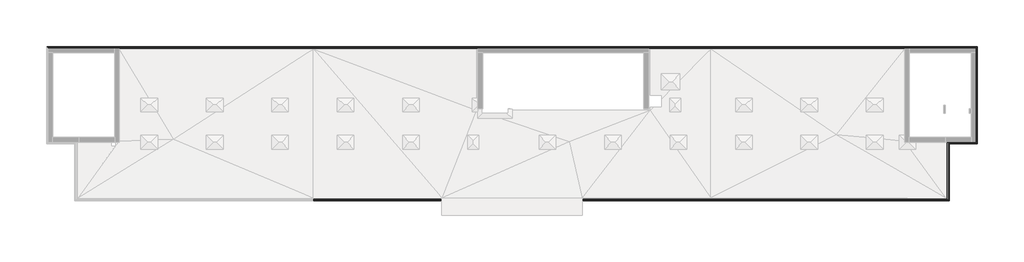
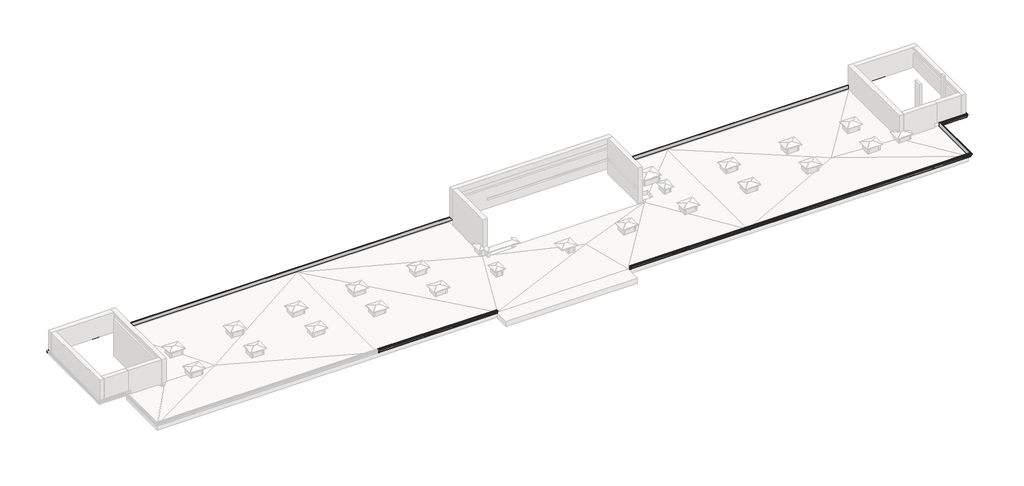
# One storey, part 5 of 5: 8 proxies.
"""IFC4 building model written with IfcOpenShell, lengths in millimetres."""

from ifc_helpers import new_model, si_unit, point, frame, frame_2d, origin, place, context, project, spatial, polyline, circle_curve, ellipse_curve, trimmed, segment, composite_curve, outline, extrude, element, save
from ifc_brep_helpers import plane_surface, cylinder_surface, advanced_brep

model = new_model("IFC4")

# Units and contexts
model_context = context("Model", 3, world=origin())
ifc_project = project(units=[si_unit("LENGTHUNIT", "METRE", prefix="MILLI")], contexts=[model_context])

# Site, building, storey
site = spatial("IfcSite", under=ifc_project)
building = spatial("IfcBuilding", under=site)
storey = spatial("IfcBuildingStorey", under=building, Elevation=33100.0)

# Proxies
placement = place(None, origin())
element("IfcBuildingElementProxy", 1, Name="Wall Sweeps", at=placement, inside=storey, context=model_context, shape_type="AdvancedBrep", body=[
    advanced_brep(
    [(-48099.9887159, 903.1079487, 33262.0), (-48099.9887159, 903.1079487, 33699.5128869), (-48159.9887159, 963.1079487, 33683.4359354), (-48159.9887159, 963.1079487, 33668.4359354), (-48239.9887159, 1043.1079487, 33647.0), (-48239.9887159, 1043.1079487, 33627.0), (-48264.9887159, 1068.1079487, 33627.0), (-48264.9887159, 1068.1079487, 33567.0), (-48239.9887159, 1043.1079487, 33567.0), (-48239.9887159, 1043.1079487, 33562.0), (-48214.9887159, 1018.1079487, 33537.0), (-48209.9887159, 1013.1079487, 33537.0), (-48209.9887159, 1013.1079487, 33367.0), (-48179.9887159, 983.1079487, 33367.0), (-48179.9887159, 983.1079487, 33322.0), (-48159.9887159, 963.1079487, 33322.0), (-48159.9887159, 963.1079487, 33302.0), (-48119.9887159, 923.1079487, 33262.0), (49720.0112841, 903.1079487, 33262.0), (49740.0112841, 923.1079487, 33262.0), (49780.0112841, 963.1079487, 33302.0), (49780.0112841, 963.1079487, 33322.0), (49800.0112841, 983.1079487, 33322.0), (49800.0112841, 983.1079487, 33367.0), (49830.0112841, 1013.1079487, 33367.0), (49830.0112841, 1013.1079487, 33537.0), (49835.0112841, 1018.1079487, 33537.0), (49860.0112841, 1043.1079487, 33562.0), (49860.0112841, 1043.1079487, 33567.0), (49885.0112841, 1068.1079487, 33567.0), (49885.0112841, 1068.1079487, 33627.0), (49860.0112841, 1043.1079487, 33627.0), (49860.0112841, 1043.1079487, 33647.0), (49780.0112841, 963.1079487, 33668.4359354), (49780.0112841, 963.1079487, 33683.4359354), (49720.0112841, 903.1079487, 33699.5128869)],
    [
        (0, 1),
        (1, 2),
        (2, 3),
        (3, 4),
        (4, 5),
        (5, 6),
        (6, 7),
        (7, 8),
        (8, 9),
        (9, 10, ellipse_curve(frame((-48214.9887159, 1018.1079487, 33562.0), z_axis=(-0.7071067811865456, -0.7071067811865496, 0.0), x_axis=(-0.7071067811865496, 0.7071067811865456, 0.0)), 35.3553391, 25.0)),
        (10, 11),
        (11, 12),
        (12, 13),
        (13, 14),
        (14, 15),
        (15, 16),
        (16, 17, ellipse_curve(frame((-48119.9887159, 923.1079487, 33302.0), z_axis=(-0.7071067811865456, -0.7071067811865496, 0.0), x_axis=(-0.7071067811865496, 0.7071067811865456, 0.0)), 56.5685425, 40.0)),
        (17, 0),
        (18, 19),
        (19, 20, ellipse_curve(frame((49740.0112841, 923.1079487, 33302.0), z_axis=(0.7071067811865438, -0.7071067811865513, 0.0), x_axis=(-0.7071067811865511, -0.7071067811865439, 0.0)), 56.5685425, 40.0)),
        (20, 21),
        (21, 22),
        (22, 23),
        (23, 24),
        (24, 25),
        (25, 26),
        (26, 27, ellipse_curve(frame((49835.0112841, 1018.1079487, 33562.0), z_axis=(0.7071067811865438, -0.7071067811865513, 0.0), x_axis=(-0.7071067811865511, -0.7071067811865439, 0.0)), 35.3553391, 25.0)),
        (27, 28),
        (28, 29),
        (29, 30),
        (30, 31),
        (31, 32),
        (32, 33),
        (33, 34),
        (34, 35),
        (35, 18),
        (0, 18),
        (35, 1),
        (34, 2),
        (33, 3),
        (32, 4),
        (31, 5),
        (30, 6),
        (29, 7),
        (28, 8),
        (27, 9),
        (26, 10),
        (25, 11),
        (24, 12),
        (23, 13),
        (22, 14),
        (21, 15),
        (20, 16),
        (19, 17),
    ],
    [
        plane_surface(frame((-48099.9887159, 903.1079487, 33841.8), z_axis=(-0.7071067811865456, -0.7071067811865496, 0.0), x_axis=(0.7071067811865496, -0.7071067811865456, 0.0))),
        plane_surface(frame((49720.0112841, 903.1079487, 33841.8), z_axis=(0.7071067811865438, -0.7071067811865513, 0.0), x_axis=(-0.7071067811865513, -0.7071067811865438, 0.0))),
        plane_surface(frame((-48099.9887159, 903.1079487, 33262.0), z_axis=(0.0, -1.0, 0.0), x_axis=(1.0, 0.0, 0.0))),
        plane_surface(frame((-48099.9887159, 903.1079487, 33699.5128869), z_axis=(0.0, 0.2588190451025238, 0.9659258262890675), x_axis=(1.0, 0.0, 0.0))),
        plane_surface(frame((-48159.9887159, 963.1079487, 33683.4359354), z_axis=(0.0, 1.0, 0.0), x_axis=(1.0, 0.0, 0.0))),
        plane_surface(frame((-48159.9887159, 963.1079487, 33668.4359354), z_axis=(0.0, 0.2588190451025236, 0.9659258262890675), x_axis=(1.0, 0.0, 0.0))),
        plane_surface(frame((-48239.9887159, 1043.1079487, 33647.0), z_axis=(0.0, 1.0, 0.0), x_axis=(1.0, 0.0, 0.0))),
        plane_surface(frame((-48239.9887159, 1043.1079487, 33627.0), z_axis=(0.0, 0.0, 1.0), x_axis=(1.0, 0.0, 0.0))),
        plane_surface(frame((-48264.9887159, 1068.1079487, 33627.0), z_axis=(0.0, 1.0, 0.0), x_axis=(1.0, 0.0, 0.0))),
        plane_surface(frame((-48264.9887159, 1068.1079487, 33567.0), z_axis=(0.0, 0.0, -1.0), x_axis=(1.0, 0.0, 0.0))),
        plane_surface(frame((-48239.9887159, 1043.1079487, 33567.0), z_axis=(0.0, 1.0, 0.0), x_axis=(1.0, 0.0, 0.0))),
        cylinder_surface(frame((-48099.9887159, 1018.1079487, 33562.0), z_axis=(-1.0, 0.0, 0.0), x_axis=(0.0, 1.0, 0.0)), 25.0),
        plane_surface(frame((-48214.9887159, 1018.1079487, 33537.0), z_axis=(0.0, 0.0, -1.0), x_axis=(1.0, 0.0, 0.0))),
        plane_surface(frame((-48209.9887159, 1013.1079487, 33537.0), z_axis=(0.0, 1.0, 0.0), x_axis=(1.0, 0.0, 0.0))),
        plane_surface(frame((-48209.9887159, 1013.1079487, 33367.0), z_axis=(0.0, 0.0, -1.0), x_axis=(1.0, 0.0, 0.0))),
        plane_surface(frame((-48179.9887159, 983.1079487, 33367.0), z_axis=(0.0, 1.0, 0.0), x_axis=(1.0, 0.0, 0.0))),
        plane_surface(frame((-48179.9887159, 983.1079487, 33322.0), z_axis=(0.0, 0.0, -1.0), x_axis=(1.0, 0.0, 0.0))),
        plane_surface(frame((-48159.9887159, 963.1079487, 33322.0), z_axis=(0.0, 1.0, 0.0), x_axis=(1.0, 0.0, 0.0))),
        cylinder_surface(frame((-48099.9887159, 923.1079487, 33302.0), z_axis=(-1.0, 0.0, 0.0), x_axis=(0.0, 1.0, 0.0)), 40.0),
        plane_surface(frame((-48119.9887159, 923.1079487, 33262.0), z_axis=(0.0, 0.0, -1.0), x_axis=(1.0, 0.0, 0.0))),
    ],
    [
        (0, [[1, 2, 3, 4, 5, 6, 7, 8, 9, 10, 11, 12, 13, 14, 15, 16, 17, 18]]),
        (1, [[19, 20, 21, 22, 23, 24, 25, 26, 27, 28, 29, 30, 31, 32, 33, 34, 35, 36]]),
        (2, [[-1, 37, -36, 38]]),
        (3, [[-2, -38, -35, 39]]),
        (4, [[-3, -39, -34, 40]]),
        (5, [[-4, -40, -33, 41]]),
        (6, [[-5, -41, -32, 42]]),
        (7, [[-6, -42, -31, 43]]),
        (8, [[-7, -43, -30, 44]]),
        (9, [[-8, -44, -29, 45]]),
        (10, [[-9, -45, -28, 46]]),
        (11, [[-10, -46, -27, 47]]),
        (12, [[-11, -47, -26, 48]]),
        (13, [[-12, -48, -25, 49]]),
        (14, [[-13, -49, -24, 50]]),
        (15, [[-14, -50, -23, 51]]),
        (16, [[-15, -51, -22, 52]]),
        (17, [[-16, -52, -21, 53]]),
        (18, [[-17, -53, -20, 54]]),
        (19, [[-18, -54, -19, -37]]),
    ],
),
])
element("IfcBuildingElementProxy", 2, Name="Wall Sweeps", at=placement, inside=storey, context=model_context, shape_type="AdvancedBrep", body=[
    advanced_brep(
    [(49720.0112841, 903.1079487, 33262.0), (49720.0112841, 903.1079487, 33699.5128869), (49780.0112841, 963.1079487, 33683.4359354), (49780.0112841, 963.1079487, 33668.4359354), (49860.0112841, 1043.1079487, 33647.0), (49860.0112841, 1043.1079487, 33627.0), (49885.0112841, 1068.1079487, 33627.0), (49885.0112841, 1068.1079487, 33567.0), (49860.0112841, 1043.1079487, 33567.0), (49860.0112841, 1043.1079487, 33562.0), (49835.0112841, 1018.1079487, 33537.0), (49830.0112841, 1013.1079487, 33537.0), (49830.0112841, 1013.1079487, 33367.0), (49800.0112841, 983.1079487, 33367.0), (49800.0112841, 983.1079487, 33322.0), (49780.0112841, 963.1079487, 33322.0), (49780.0112841, 963.1079487, 33302.0), (49740.0112841, 923.1079487, 33262.0), (49720.0112841, -9016.8920513, 33262.0), (49740.0112841, -9036.8920513, 33262.0), (49780.0112841, -9076.8920513, 33302.0), (49780.0112841, -9076.8920513, 33322.0), (49800.0112841, -9096.8920513, 33322.0), (49800.0112841, -9096.8920513, 33367.0), (49830.0112841, -9126.8920513, 33367.0), (49830.0112841, -9126.8920513, 33537.0), (49835.0112841, -9131.8920513, 33537.0), (49860.0112841, -9156.8920513, 33562.0), (49860.0112841, -9156.8920513, 33567.0), (49885.0112841, -9181.8920513, 33567.0), (49885.0112841, -9181.8920513, 33627.0), (49860.0112841, -9156.8920513, 33627.0), (49860.0112841, -9156.8920513, 33647.0), (49780.0112841, -9076.8920513, 33668.4359354), (49780.0112841, -9076.8920513, 33683.4359354), (49720.0112841, -9016.8920513, 33699.5128869)],
    [
        (0, 1),
        (1, 2),
        (2, 3),
        (3, 4),
        (4, 5),
        (5, 6),
        (6, 7),
        (7, 8),
        (8, 9),
        (9, 10, ellipse_curve(frame((49835.0112841, 1018.1079487, 33562.0), z_axis=(-0.7071067811865438, 0.7071067811865513, 0.0), x_axis=(0.7071067811865513, 0.7071067811865437, 0.0)), 35.3553391, 25.0)),
        (10, 11),
        (11, 12),
        (12, 13),
        (13, 14),
        (14, 15),
        (15, 16),
        (16, 17, ellipse_curve(frame((49740.0112841, 923.1079487, 33302.0), z_axis=(-0.7071067811865438, 0.7071067811865513, 0.0), x_axis=(0.7071067811865513, 0.7071067811865437, 0.0)), 56.5685425, 40.0)),
        (17, 0),
        (18, 19),
        (19, 20, ellipse_curve(frame((49740.0112841, -9036.8920513, 33302.0), z_axis=(-0.707106781186544, -0.7071067811865511, 0.0), x_axis=(-0.7071067811865512, 0.7071067811865439, 0.0)), 56.5685425, 40.0)),
        (20, 21),
        (21, 22),
        (22, 23),
        (23, 24),
        (24, 25),
        (25, 26),
        (26, 27, ellipse_curve(frame((49835.0112841, -9131.8920513, 33562.0), z_axis=(-0.707106781186544, -0.7071067811865511, 0.0), x_axis=(-0.7071067811865512, 0.7071067811865439, 0.0)), 35.3553391, 25.0)),
        (27, 28),
        (28, 29),
        (29, 30),
        (30, 31),
        (31, 32),
        (32, 33),
        (33, 34),
        (34, 35),
        (35, 18),
        (0, 18),
        (35, 1),
        (34, 2),
        (33, 3),
        (32, 4),
        (31, 5),
        (30, 6),
        (29, 7),
        (28, 8),
        (27, 9),
        (26, 10),
        (25, 11),
        (24, 12),
        (23, 13),
        (22, 14),
        (21, 15),
        (20, 16),
        (19, 17),
    ],
    [
        plane_surface(frame((49720.0112841, 903.1079487, 33841.8), z_axis=(-0.7071067811865438, 0.7071067811865513, 0.0), x_axis=(-0.7071067811865513, -0.7071067811865438, 0.0))),
        plane_surface(frame((49720.0112841, -9016.8920513, 33841.8), z_axis=(-0.707106781186544, -0.7071067811865511, 0.0), x_axis=(-0.7071067811865511, 0.707106781186544, 0.0))),
        plane_surface(frame((49720.0112841, 903.1079487, 33262.0), z_axis=(-1.0, 0.0, 0.0), x_axis=(0.0, -1.0, 0.0))),
        plane_surface(frame((49720.0112841, 903.1079487, 33699.5128869), z_axis=(0.2588190451025238, 0.0, 0.9659258262890675), x_axis=(0.0, -1.0, 0.0))),
        plane_surface(frame((49780.0112841, 963.1079487, 33683.4359354), z_axis=(1.0, 0.0, 0.0), x_axis=(0.0, -1.0, 0.0))),
        plane_surface(frame((49780.0112841, 963.1079487, 33668.4359354), z_axis=(0.2588190451025236, 0.0, 0.9659258262890675), x_axis=(0.0, -1.0, 0.0))),
        plane_surface(frame((49860.0112841, 1043.1079487, 33647.0), z_axis=(1.0, 0.0, 0.0), x_axis=(0.0, -1.0, 0.0))),
        plane_surface(frame((49860.0112841, 1043.1079487, 33627.0), z_axis=(0.0, 0.0, 1.0), x_axis=(0.0, -1.0, 0.0))),
        plane_surface(frame((49885.0112841, 1068.1079487, 33627.0), z_axis=(1.0, 0.0, 0.0), x_axis=(0.0, -1.0, 0.0))),
        plane_surface(frame((49885.0112841, 1068.1079487, 33567.0), z_axis=(0.0, 0.0, -1.0), x_axis=(0.0, -1.0, 0.0))),
        plane_surface(frame((49860.0112841, 1043.1079487, 33567.0), z_axis=(1.0, 0.0, 0.0), x_axis=(0.0, -1.0, 0.0))),
        cylinder_surface(frame((49835.0112841, 903.1079487, 33562.0), z_axis=(0.0, 1.0, 0.0), x_axis=(1.0, 0.0, 0.0)), 25.0),
        plane_surface(frame((49835.0112841, 1018.1079487, 33537.0), z_axis=(0.0, 0.0, -1.0), x_axis=(0.0, -1.0, 0.0))),
        plane_surface(frame((49830.0112841, 1013.1079487, 33537.0), z_axis=(1.0, 0.0, 0.0), x_axis=(0.0, -1.0, 0.0))),
        plane_surface(frame((49830.0112841, 1013.1079487, 33367.0), z_axis=(0.0, 0.0, -1.0), x_axis=(0.0, -1.0, 0.0))),
        plane_surface(frame((49800.0112841, 983.1079487, 33367.0), z_axis=(1.0, 0.0, 0.0), x_axis=(0.0, -1.0, 0.0))),
        plane_surface(frame((49800.0112841, 983.1079487, 33322.0), z_axis=(0.0, 0.0, -1.0), x_axis=(0.0, -1.0, 0.0))),
        plane_surface(frame((49780.0112841, 963.1079487, 33322.0), z_axis=(1.0, 0.0, 0.0), x_axis=(0.0, -1.0, 0.0))),
        cylinder_surface(frame((49740.0112841, 903.1079487, 33302.0), z_axis=(0.0, 1.0, 0.0), x_axis=(1.0, 0.0, 0.0)), 40.0),
        plane_surface(frame((49740.0112841, 923.1079487, 33262.0), z_axis=(0.0, 0.0, -1.0), x_axis=(0.0, -1.0, 0.0))),
    ],
    [
        (0, [[1, 2, 3, 4, 5, 6, 7, 8, 9, 10, 11, 12, 13, 14, 15, 16, 17, 18]]),
        (1, [[19, 20, 21, 22, 23, 24, 25, 26, 27, 28, 29, 30, 31, 32, 33, 34, 35, 36]]),
        (2, [[-1, 37, -36, 38]]),
        (3, [[-2, -38, -35, 39]]),
        (4, [[-3, -39, -34, 40]]),
        (5, [[-4, -40, -33, 41]]),
        (6, [[-5, -41, -32, 42]]),
        (7, [[-6, -42, -31, 43]]),
        (8, [[-7, -43, -30, 44]]),
        (9, [[-8, -44, -29, 45]]),
        (10, [[-9, -45, -28, 46]]),
        (11, [[-10, -46, -27, 47]]),
        (12, [[-11, -47, -26, 48]]),
        (13, [[-12, -48, -25, 49]]),
        (14, [[-13, -49, -24, 50]]),
        (15, [[-14, -50, -23, 51]]),
        (16, [[-15, -51, -22, 52]]),
        (17, [[-16, -52, -21, 53]]),
        (18, [[-17, -53, -20, 54]]),
        (19, [[-18, -54, -19, -37]]),
    ],
),
])
element("IfcBuildingElementProxy", 3, Name="Wall Sweeps", at=placement, inside=storey, context=model_context, shape_type="AdvancedBrep", body=[
    advanced_brep(
    [(46720.0112841, -15016.8920513, 33262.0), (46720.0112841, -15016.8920513, 33699.5128869), (46780.0112841, -15076.8920513, 33683.4359354), (46780.0112841, -15076.8920513, 33668.4359354), (46860.0112841, -15156.8920513, 33647.0), (46860.0112841, -15156.8920513, 33627.0), (46885.0112841, -15181.8920513, 33627.0), (46885.0112841, -15181.8920513, 33567.0), (46860.0112841, -15156.8920513, 33567.0), (46860.0112841, -15156.8920513, 33562.0), (46835.0112841, -15131.8920513, 33537.0), (46830.0112841, -15126.8920513, 33537.0), (46830.0112841, -15126.8920513, 33367.0), (46800.0112841, -15096.8920513, 33367.0), (46800.0112841, -15096.8920513, 33322.0), (46780.0112841, -15076.8920513, 33322.0), (46780.0112841, -15076.8920513, 33302.0), (46740.0112841, -15036.8920513, 33262.0), (42510.0112841, -15016.8920513, 33262.0), (42510.0112841, -15036.8920513, 33262.0), (42510.0112841, -15076.8920513, 33302.0), (42510.0112841, -15076.8920513, 33322.0), (42510.0112841, -15096.8920513, 33322.0), (42510.0112841, -15096.8920513, 33367.0), (42510.0112841, -15126.8920513, 33367.0), (42510.0112841, -15126.8920513, 33537.0), (42510.0112841, -15131.8920513, 33537.0), (42510.0112841, -15156.8920513, 33562.0), (42510.0112841, -15156.8920513, 33567.0), (42510.0112841, -15181.8920513, 33567.0), (42510.0112841, -15181.8920513, 33627.0), (42510.0112841, -15156.8920513, 33627.0), (42510.0112841, -15156.8920513, 33647.0), (42510.0112841, -15076.8920513, 33668.4359354), (42510.0112841, -15076.8920513, 33683.4359354), (42510.0112841, -15016.8920513, 33699.5128869)],
    [
        (0, 1),
        (1, 2),
        (2, 3),
        (3, 4),
        (4, 5),
        (5, 6),
        (6, 7),
        (7, 8),
        (8, 9),
        (9, 10, ellipse_curve(frame((46835.0112841, -15131.8920513, 33562.0), z_axis=(0.707106781186544, 0.7071067811865511, 0.0), x_axis=(0.707106781186551, -0.7071067811865439, 0.0)), 35.3553391, 25.0)),
        (10, 11),
        (11, 12),
        (12, 13),
        (13, 14),
        (14, 15),
        (15, 16),
        (16, 17, ellipse_curve(frame((46740.0112841, -15036.8920513, 33302.0), z_axis=(0.707106781186544, 0.7071067811865511, 0.0), x_axis=(0.707106781186551, -0.7071067811865439, 0.0)), 56.5685425, 40.0)),
        (17, 0),
        (18, 19),
        (19, 20, circle_curve(frame((42510.0112841, -15036.8920513, 33302.0), z_axis=(-1.0, 0.0, 0.0), x_axis=(0.0, -1.0, 0.0)), 40.0)),
        (20, 21),
        (21, 22),
        (22, 23),
        (23, 24),
        (24, 25),
        (25, 26),
        (26, 27, circle_curve(frame((42510.0112841, -15131.8920513, 33562.0), z_axis=(-1.0, 0.0, 0.0), x_axis=(0.0, -1.0, 0.0)), 25.0)),
        (27, 28),
        (28, 29),
        (29, 30),
        (30, 31),
        (31, 32),
        (32, 33),
        (33, 34),
        (34, 35),
        (35, 18),
        (0, 18),
        (35, 1),
        (34, 2),
        (33, 3),
        (32, 4),
        (31, 5),
        (30, 6),
        (29, 7),
        (28, 8),
        (27, 9),
        (26, 10),
        (25, 11),
        (24, 12),
        (23, 13),
        (22, 14),
        (21, 15),
        (20, 16),
        (19, 17),
    ],
    [
        plane_surface(frame((46720.0112841, -15016.8920513, 33841.8), z_axis=(0.707106781186544, 0.7071067811865511, 0.0), x_axis=(-0.7071067811865511, 0.707106781186544, 0.0))),
        plane_surface(frame((42510.0112841, -15321.6920513, 33537.0), z_axis=(-1.0, 0.0, 0.0), x_axis=(0.0, 0.0, 1.0))),
        plane_surface(frame((46720.0112841, -15016.8920513, 33262.0), z_axis=(0.0, 1.0, 0.0), x_axis=(-1.0, 0.0, 0.0))),
        plane_surface(frame((46720.0112841, -15016.8920513, 33699.5128869), z_axis=(0.0, -0.2588190451025238, 0.9659258262890675), x_axis=(-1.0, 0.0, 0.0))),
        plane_surface(frame((46780.0112841, -15076.8920513, 33683.4359354), z_axis=(0.0, -1.0, 0.0), x_axis=(-1.0, 0.0, 0.0))),
        plane_surface(frame((46780.0112841, -15076.8920513, 33668.4359354), z_axis=(0.0, -0.2588190451025236, 0.9659258262890675), x_axis=(-1.0, 0.0, 0.0))),
        plane_surface(frame((46860.0112841, -15156.8920513, 33647.0), z_axis=(0.0, -1.0, 0.0), x_axis=(-1.0, 0.0, 0.0))),
        plane_surface(frame((46860.0112841, -15156.8920513, 33627.0), z_axis=(0.0, 0.0, 1.0), x_axis=(-1.0, 0.0, 0.0))),
        plane_surface(frame((46885.0112841, -15181.8920513, 33627.0), z_axis=(0.0, -1.0, 0.0), x_axis=(-1.0, 0.0, 0.0))),
        plane_surface(frame((46885.0112841, -15181.8920513, 33567.0), z_axis=(0.0, 0.0, -1.0), x_axis=(-1.0, 0.0, 0.0))),
        plane_surface(frame((46860.0112841, -15156.8920513, 33567.0), z_axis=(0.0, -1.0, 0.0), x_axis=(-1.0, 0.0, 0.0))),
        cylinder_surface(frame((46720.0112841, -15131.8920513, 33562.0), z_axis=(1.0, 0.0, 0.0), x_axis=(0.0, -1.0, 0.0)), 25.0),
        plane_surface(frame((46835.0112841, -15131.8920513, 33537.0), z_axis=(0.0, 0.0, -1.0), x_axis=(-1.0, 0.0, 0.0))),
        plane_surface(frame((46830.0112841, -15126.8920513, 33537.0), z_axis=(0.0, -1.0, 0.0), x_axis=(-1.0, 0.0, 0.0))),
        plane_surface(frame((46830.0112841, -15126.8920513, 33367.0), z_axis=(0.0, 0.0, -1.0), x_axis=(-1.0, 0.0, 0.0))),
        plane_surface(frame((46800.0112841, -15096.8920513, 33367.0), z_axis=(0.0, -1.0, 0.0), x_axis=(-1.0, 0.0, 0.0))),
        plane_surface(frame((46800.0112841, -15096.8920513, 33322.0), z_axis=(0.0, 0.0, -1.0), x_axis=(-1.0, 0.0, 0.0))),
        plane_surface(frame((46780.0112841, -15076.8920513, 33322.0), z_axis=(0.0, -1.0, 0.0), x_axis=(-1.0, 0.0, 0.0))),
        cylinder_surface(frame((46720.0112841, -15036.8920513, 33302.0), z_axis=(1.0, 0.0, 0.0), x_axis=(0.0, -1.0, 0.0)), 40.0),
        plane_surface(frame((46740.0112841, -15036.8920513, 33262.0), z_axis=(0.0, 0.0, -1.0), x_axis=(-1.0, 0.0, 0.0))),
    ],
    [
        (0, [[1, 2, 3, 4, 5, 6, 7, 8, 9, 10, 11, 12, 13, 14, 15, 16, 17, 18]]),
        (1, [[19, 20, 21, 22, 23, 24, 25, 26, 27, 28, 29, 30, 31, 32, 33, 34, 35, 36]]),
        (2, [[-1, 37, -36, 38]]),
        (3, [[-2, -38, -35, 39]]),
        (4, [[-3, -39, -34, 40]]),
        (5, [[-4, -40, -33, 41]]),
        (6, [[-5, -41, -32, 42]]),
        (7, [[-6, -42, -31, 43]]),
        (8, [[-7, -43, -30, 44]]),
        (9, [[-8, -44, -29, 45]]),
        (10, [[-9, -45, -28, 46]]),
        (11, [[-10, -46, -27, 47]]),
        (12, [[-11, -47, -26, 48]]),
        (13, [[-12, -48, -25, 49]]),
        (14, [[-13, -49, -24, 50]]),
        (15, [[-14, -50, -23, 51]]),
        (16, [[-15, -51, -22, 52]]),
        (17, [[-16, -52, -21, 53]]),
        (18, [[-17, -53, -20, 54]]),
        (19, [[-18, -54, -19, -37]]),
    ],
),
])
element("IfcBuildingElementProxy", 4, Name="Wall Sweeps", at=placement, inside=storey, context=model_context, shape_type="AdvancedBrep", body=[
    advanced_brep(
    [(49720.0112841, -9016.8920513, 33262.0), (49720.0112841, -9016.8920513, 33699.5128869), (49780.0112841, -9076.8920513, 33683.4359354), (49780.0112841, -9076.8920513, 33668.4359354), (49860.0112841, -9156.8920513, 33647.0), (49860.0112841, -9156.8920513, 33627.0), (49885.0112841, -9181.8920513, 33627.0), (49885.0112841, -9181.8920513, 33567.0), (49860.0112841, -9156.8920513, 33567.0), (49860.0112841, -9156.8920513, 33562.0), (49835.0112841, -9131.8920513, 33537.0), (49830.0112841, -9126.8920513, 33537.0), (49830.0112841, -9126.8920513, 33367.0), (49800.0112841, -9096.8920513, 33367.0), (49800.0112841, -9096.8920513, 33322.0), (49780.0112841, -9076.8920513, 33322.0), (49780.0112841, -9076.8920513, 33302.0), (49740.0112841, -9036.8920513, 33262.0), (46720.0112841, -9016.8920513, 33262.0), (46740.0112841, -9036.8920513, 33262.0), (46780.0112841, -9076.8920513, 33302.0), (46780.0112841, -9076.8920513, 33322.0), (46800.0112841, -9096.8920513, 33322.0), (46800.0112841, -9096.8920513, 33367.0), (46830.0112841, -9126.8920513, 33367.0), (46830.0112841, -9126.8920513, 33537.0), (46835.0112841, -9131.8920513, 33537.0), (46860.0112841, -9156.8920513, 33562.0), (46860.0112841, -9156.8920513, 33567.0), (46885.0112841, -9181.8920513, 33567.0), (46885.0112841, -9181.8920513, 33627.0), (46860.0112841, -9156.8920513, 33627.0), (46860.0112841, -9156.8920513, 33647.0), (46780.0112841, -9076.8920513, 33668.4359354), (46780.0112841, -9076.8920513, 33683.4359354), (46720.0112841, -9016.8920513, 33699.5128869)],
    [
        (0, 1),
        (1, 2),
        (2, 3),
        (3, 4),
        (4, 5),
        (5, 6),
        (6, 7),
        (7, 8),
        (8, 9),
        (9, 10, ellipse_curve(frame((49835.0112841, -9131.8920513, 33562.0), z_axis=(0.707106781186544, 0.7071067811865511, 0.0), x_axis=(0.707106781186551, -0.707106781186544, 0.0)), 35.3553391, 25.0)),
        (10, 11),
        (11, 12),
        (12, 13),
        (13, 14),
        (14, 15),
        (15, 16),
        (16, 17, ellipse_curve(frame((49740.0112841, -9036.8920513, 33302.0), z_axis=(0.707106781186544, 0.7071067811865511, 0.0), x_axis=(0.707106781186551, -0.707106781186544, 0.0)), 56.5685425, 40.0)),
        (17, 0),
        (18, 19),
        (19, 20, ellipse_curve(frame((46740.0112841, -9036.8920513, 33302.0), z_axis=(-0.707106781186544, -0.7071067811865511, 0.0), x_axis=(0.707106781186551, -0.707106781186544, 0.0)), 56.5685425, 40.0)),
        (20, 21),
        (21, 22),
        (22, 23),
        (23, 24),
        (24, 25),
        (25, 26),
        (26, 27, ellipse_curve(frame((46835.0112841, -9131.8920513, 33562.0), z_axis=(-0.707106781186544, -0.7071067811865511, 0.0), x_axis=(0.707106781186551, -0.707106781186544, 0.0)), 35.3553391, 25.0)),
        (27, 28),
        (28, 29),
        (29, 30),
        (30, 31),
        (31, 32),
        (32, 33),
        (33, 34),
        (34, 35),
        (35, 18),
        (17, 19),
        (18, 0),
        (16, 20),
        (15, 21),
        (14, 22),
        (13, 23),
        (12, 24),
        (11, 25),
        (10, 26),
        (9, 27),
        (8, 28),
        (7, 29),
        (6, 30),
        (5, 31),
        (4, 32),
        (3, 33),
        (2, 34),
        (1, 35),
    ],
    [
        plane_surface(frame((49720.0112841, -9016.8920513, 33841.8), z_axis=(0.707106781186544, 0.7071067811865511, 0.0), x_axis=(-0.7071067811865511, 0.707106781186544, 0.0))),
        plane_surface(frame((46720.0112841, -9016.8920513, 33232.2), z_axis=(-0.707106781186544, -0.7071067811865511, 0.0), x_axis=(0.7071067811865511, -0.707106781186544, 0.0))),
        plane_surface(frame((49740.0112841, -9036.8920513, 33262.0), z_axis=(0.0, 0.0, -1.0), x_axis=(-1.0, 0.0, 0.0))),
        cylinder_surface(frame((49720.0112841, -9036.8920513, 33302.0), z_axis=(1.0, 0.0, 0.0), x_axis=(0.0, -1.0, 0.0)), 40.0),
        plane_surface(frame((49780.0112841, -9076.8920513, 33322.0), z_axis=(0.0, -1.0, 0.0), x_axis=(-1.0, 0.0, 0.0))),
        plane_surface(frame((49800.0112841, -9096.8920513, 33322.0), z_axis=(0.0, 0.0, -1.0), x_axis=(-1.0, 0.0, 0.0))),
        plane_surface(frame((49800.0112841, -9096.8920513, 33367.0), z_axis=(0.0, -1.0, 0.0), x_axis=(-1.0, 0.0, 0.0))),
        plane_surface(frame((49830.0112841, -9126.8920513, 33367.0), z_axis=(0.0, 0.0, -1.0), x_axis=(-1.0, 0.0, 0.0))),
        plane_surface(frame((49830.0112841, -9126.8920513, 33537.0), z_axis=(0.0, -1.0, 0.0), x_axis=(-1.0, 0.0, 0.0))),
        plane_surface(frame((49835.0112841, -9131.8920513, 33537.0), z_axis=(0.0, 0.0, -1.0), x_axis=(-1.0, 0.0, 0.0))),
        cylinder_surface(frame((49720.0112841, -9131.8920513, 33562.0), z_axis=(1.0, 0.0, 0.0), x_axis=(0.0, -1.0, 0.0)), 25.0),
        plane_surface(frame((49860.0112841, -9156.8920513, 33567.0), z_axis=(0.0, -1.0, 0.0), x_axis=(-1.0, 0.0, 0.0))),
        plane_surface(frame((49885.0112841, -9181.8920513, 33567.0), z_axis=(0.0, 0.0, -1.0), x_axis=(-1.0, 0.0, 0.0))),
        plane_surface(frame((49885.0112841, -9181.8920513, 33627.0), z_axis=(0.0, -1.0, 0.0), x_axis=(-1.0, 0.0, 0.0))),
        plane_surface(frame((49860.0112841, -9156.8920513, 33627.0), z_axis=(0.0, 0.0, 1.0), x_axis=(-1.0, 0.0, 0.0))),
        plane_surface(frame((49860.0112841, -9156.8920513, 33647.0), z_axis=(0.0, -1.0, 0.0), x_axis=(-1.0, 0.0, 0.0))),
        plane_surface(frame((49780.0112841, -9076.8920513, 33668.4359354), z_axis=(0.0, -0.2588190451025236, 0.9659258262890675), x_axis=(-1.0, 0.0, 0.0))),
        plane_surface(frame((49780.0112841, -9076.8920513, 33683.4359354), z_axis=(0.0, -1.0, 0.0), x_axis=(-1.0, 0.0, 0.0))),
        plane_surface(frame((49720.0112841, -9016.8920513, 33699.5128869), z_axis=(0.0, -0.2588190451025238, 0.9659258262890675), x_axis=(-1.0, 0.0, 0.0))),
        plane_surface(frame((49720.0112841, -9016.8920513, 33262.0), z_axis=(0.0, 1.0, 0.0), x_axis=(-1.0, 0.0, 0.0))),
    ],
    [
        (0, [[1, 2, 3, 4, 5, 6, 7, 8, 9, 10, 11, 12, 13, 14, 15, 16, 17, 18]]),
        (1, [[19, 20, 21, 22, 23, 24, 25, 26, 27, 28, 29, 30, 31, 32, 33, 34, 35, 36]]),
        (2, [[-18, 37, -19, 38]]),
        (3, [[-17, 39, -20, -37]]),
        (4, [[-16, 40, -21, -39]]),
        (5, [[-15, 41, -22, -40]]),
        (6, [[-14, 42, -23, -41]]),
        (7, [[-13, 43, -24, -42]]),
        (8, [[-12, 44, -25, -43]]),
        (9, [[-11, 45, -26, -44]]),
        (10, [[-10, 46, -27, -45]]),
        (11, [[-9, 47, -28, -46]]),
        (12, [[-8, 48, -29, -47]]),
        (13, [[-7, 49, -30, -48]]),
        (14, [[-6, 50, -31, -49]]),
        (15, [[-5, 51, -32, -50]]),
        (16, [[-4, 52, -33, -51]]),
        (17, [[-3, 53, -34, -52]]),
        (18, [[-2, 54, -35, -53]]),
        (19, [[-1, -38, -36, -54]]),
    ],
),
])
element("IfcBuildingElementProxy", 5, Name="Wall Sweeps", at=placement, inside=storey, context=model_context, shape_type="AdvancedBrep", body=[
    advanced_brep(
    [(46720.0112841, -9016.8920513, 33262.0), (46720.0112841, -9016.8920513, 33699.5128869), (46780.0112841, -9076.8920513, 33683.4359354), (46780.0112841, -9076.8920513, 33668.4359354), (46860.0112841, -9156.8920513, 33647.0), (46860.0112841, -9156.8920513, 33627.0), (46885.0112841, -9181.8920513, 33627.0), (46885.0112841, -9181.8920513, 33567.0), (46860.0112841, -9156.8920513, 33567.0), (46860.0112841, -9156.8920513, 33562.0), (46835.0112841, -9131.8920513, 33537.0), (46830.0112841, -9126.8920513, 33537.0), (46830.0112841, -9126.8920513, 33367.0), (46800.0112841, -9096.8920513, 33367.0), (46800.0112841, -9096.8920513, 33322.0), (46780.0112841, -9076.8920513, 33322.0), (46780.0112841, -9076.8920513, 33302.0), (46740.0112841, -9036.8920513, 33262.0), (46720.0112841, -15016.8920513, 33262.0), (46740.0112841, -15036.8920513, 33262.0), (46780.0112841, -15076.8920513, 33302.0), (46780.0112841, -15076.8920513, 33322.0), (46800.0112841, -15096.8920513, 33322.0), (46800.0112841, -15096.8920513, 33367.0), (46830.0112841, -15126.8920513, 33367.0), (46830.0112841, -15126.8920513, 33537.0), (46835.0112841, -15131.8920513, 33537.0), (46860.0112841, -15156.8920513, 33562.0), (46860.0112841, -15156.8920513, 33567.0), (46885.0112841, -15181.8920513, 33567.0), (46885.0112841, -15181.8920513, 33627.0), (46860.0112841, -15156.8920513, 33627.0), (46860.0112841, -15156.8920513, 33647.0), (46780.0112841, -15076.8920513, 33668.4359354), (46780.0112841, -15076.8920513, 33683.4359354), (46720.0112841, -15016.8920513, 33699.5128869)],
    [
        (0, 1),
        (1, 2),
        (2, 3),
        (3, 4),
        (4, 5),
        (5, 6),
        (6, 7),
        (7, 8),
        (8, 9),
        (9, 10, ellipse_curve(frame((46835.0112841, -9131.8920513, 33562.0), z_axis=(0.707106781186544, 0.7071067811865511, 0.0), x_axis=(-0.7071067811865512, 0.7071067811865438, 0.0)), 35.3553391, 25.0)),
        (10, 11),
        (11, 12),
        (12, 13),
        (13, 14),
        (14, 15),
        (15, 16),
        (16, 17, ellipse_curve(frame((46740.0112841, -9036.8920513, 33302.0), z_axis=(0.707106781186544, 0.7071067811865511, 0.0), x_axis=(-0.7071067811865512, 0.7071067811865438, 0.0)), 56.5685425, 40.0)),
        (17, 0),
        (18, 19),
        (19, 20, ellipse_curve(frame((46740.0112841, -15036.8920513, 33302.0), z_axis=(-0.707106781186544, -0.7071067811865511, 0.0), x_axis=(-0.7071067811865512, 0.7071067811865438, 0.0)), 56.5685425, 40.0)),
        (20, 21),
        (21, 22),
        (22, 23),
        (23, 24),
        (24, 25),
        (25, 26),
        (26, 27, ellipse_curve(frame((46835.0112841, -15131.8920513, 33562.0), z_axis=(-0.707106781186544, -0.7071067811865511, 0.0), x_axis=(-0.7071067811865512, 0.7071067811865438, 0.0)), 35.3553391, 25.0)),
        (27, 28),
        (28, 29),
        (29, 30),
        (30, 31),
        (31, 32),
        (32, 33),
        (33, 34),
        (34, 35),
        (35, 18),
        (17, 19),
        (18, 0),
        (16, 20),
        (15, 21),
        (14, 22),
        (13, 23),
        (12, 24),
        (11, 25),
        (10, 26),
        (9, 27),
        (8, 28),
        (7, 29),
        (6, 30),
        (5, 31),
        (4, 32),
        (3, 33),
        (2, 34),
        (1, 35),
    ],
    [
        plane_surface(frame((46720.0112841, -9016.8920513, 33232.2), z_axis=(0.707106781186544, 0.7071067811865511, 0.0), x_axis=(0.7071067811865511, -0.707106781186544, 0.0))),
        plane_surface(frame((46720.0112841, -15016.8920513, 33841.8), z_axis=(-0.707106781186544, -0.7071067811865511, 0.0), x_axis=(-0.7071067811865511, 0.707106781186544, 0.0))),
        plane_surface(frame((46740.0112841, -9036.8920513, 33262.0), z_axis=(0.0, 0.0, -1.0), x_axis=(0.0, -1.0, 0.0))),
        cylinder_surface(frame((46740.0112841, -9016.8920513, 33302.0), z_axis=(0.0, 1.0, 0.0), x_axis=(1.0, 0.0, 0.0)), 40.0),
        plane_surface(frame((46780.0112841, -9076.8920513, 33322.0), z_axis=(1.0, 0.0, 0.0), x_axis=(0.0, -1.0, 0.0))),
        plane_surface(frame((46800.0112841, -9096.8920513, 33322.0), z_axis=(0.0, 0.0, -1.0), x_axis=(0.0, -1.0, 0.0))),
        plane_surface(frame((46800.0112841, -9096.8920513, 33367.0), z_axis=(1.0, 0.0, 0.0), x_axis=(0.0, -1.0, 0.0))),
        plane_surface(frame((46830.0112841, -9126.8920513, 33367.0), z_axis=(0.0, 0.0, -1.0), x_axis=(0.0, -1.0, 0.0))),
        plane_surface(frame((46830.0112841, -9126.8920513, 33537.0), z_axis=(1.0, 0.0, 0.0), x_axis=(0.0, -1.0, 0.0))),
        plane_surface(frame((46835.0112841, -9131.8920513, 33537.0), z_axis=(0.0, 0.0, -1.0), x_axis=(0.0, -1.0, 0.0))),
        cylinder_surface(frame((46835.0112841, -9016.8920513, 33562.0), z_axis=(0.0, 1.0, 0.0), x_axis=(1.0, 0.0, 0.0)), 25.0),
        plane_surface(frame((46860.0112841, -9156.8920513, 33567.0), z_axis=(1.0, 0.0, 0.0), x_axis=(0.0, -1.0, 0.0))),
        plane_surface(frame((46885.0112841, -9181.8920513, 33567.0), z_axis=(0.0, 0.0, -1.0), x_axis=(0.0, -1.0, 0.0))),
        plane_surface(frame((46885.0112841, -9181.8920513, 33627.0), z_axis=(1.0, 0.0, 0.0), x_axis=(0.0, -1.0, 0.0))),
        plane_surface(frame((46860.0112841, -9156.8920513, 33627.0), z_axis=(0.0, 0.0, 1.0), x_axis=(0.0, -1.0, 0.0))),
        plane_surface(frame((46860.0112841, -9156.8920513, 33647.0), z_axis=(1.0, 0.0, 0.0), x_axis=(0.0, -1.0, 0.0))),
        plane_surface(frame((46780.0112841, -9076.8920513, 33668.4359354), z_axis=(0.2588190451025236, 0.0, 0.9659258262890675), x_axis=(0.0, -1.0, 0.0))),
        plane_surface(frame((46780.0112841, -9076.8920513, 33683.4359354), z_axis=(1.0, 0.0, 0.0), x_axis=(0.0, -1.0, 0.0))),
        plane_surface(frame((46720.0112841, -9016.8920513, 33699.5128869), z_axis=(0.2588190451025238, 0.0, 0.9659258262890675), x_axis=(0.0, -1.0, 0.0))),
        plane_surface(frame((46720.0112841, -9016.8920513, 33262.0), z_axis=(-1.0, 0.0, 0.0), x_axis=(0.0, -1.0, 0.0))),
    ],
    [
        (0, [[1, 2, 3, 4, 5, 6, 7, 8, 9, 10, 11, 12, 13, 14, 15, 16, 17, 18]]),
        (1, [[19, 20, 21, 22, 23, 24, 25, 26, 27, 28, 29, 30, 31, 32, 33, 34, 35, 36]]),
        (2, [[-18, 37, -19, 38]]),
        (3, [[-17, 39, -20, -37]]),
        (4, [[-16, 40, -21, -39]]),
        (5, [[-15, 41, -22, -40]]),
        (6, [[-14, 42, -23, -41]]),
        (7, [[-13, 43, -24, -42]]),
        (8, [[-12, 44, -25, -43]]),
        (9, [[-11, 45, -26, -44]]),
        (10, [[-10, 46, -27, -45]]),
        (11, [[-9, 47, -28, -46]]),
        (12, [[-8, 48, -29, -47]]),
        (13, [[-7, 49, -30, -48]]),
        (14, [[-6, 50, -31, -49]]),
        (15, [[-5, 51, -32, -50]]),
        (16, [[-4, 52, -33, -51]]),
        (17, [[-3, 53, -34, -52]]),
        (18, [[-2, 54, -35, -53]]),
        (19, [[-1, -38, -36, -54]]),
    ],
),
])
element("IfcBuildingElementProxy", 6, Name="Wall Sweeps", at=placement, inside=storey, context=model_context, shape_type="SweptSolid", body=[
    extrude(outline(composite_curve([segment(polyline([(-15016.8920513, 33262.0), (-15036.8920513, 33262.0)]), True, "CONTINUOUS"), segment(trimmed(circle_curve(frame_2d((-15036.8920513, 33302.0)), 40.0), [point((-15036.8920513, 33262.0))], [point((-15076.8920513, 33302.0))], False, "CARTESIAN"), True, "CONTINUOUS"), segment(polyline([(-15076.8920513, 33302.0), (-15076.8920513, 33322.0), (-15096.8920513, 33322.0), (-15096.8920513, 33367.0), (-15126.8920513, 33367.0), (-15126.8920513, 33537.0), (-15131.8920513, 33537.0)]), True, "CONTINUOUS"), segment(trimmed(circle_curve(frame_2d((-15131.8920513, 33562.0)), 25.0), [point((-15131.8920513, 33537.0))], [point((-15156.8920513, 33562.0))], False, "CARTESIAN"), True, "CONTINUOUS"), segment(polyline([(-15156.8920513, 33562.0), (-15156.8920513, 33567.0), (-15181.8920513, 33567.0), (-15181.8920513, 33627.0), (-15156.8920513, 33627.0), (-15156.8920513, 33647.0), (-15076.8920513, 33668.4359354), (-15076.8920513, 33683.4359354), (-15016.8920513, 33699.5128869), (-15016.8920513, 33262.0)]), True, "CONTINUOUS")], self_intersect=False)), frame((-20134.9887159, 0.0, 0.0), z_axis=(1.0, 0.0, 0.0), x_axis=(0.0, 1.0, 0.0)), (0.0, 0.0, 1.0), 13435.0),
])
element("IfcBuildingElementProxy", 7, Name="Wall Sweeps", at=placement, inside=storey, context=model_context, shape_type="SweptSolid", body=[
    extrude(outline(composite_curve([segment(polyline([(-15016.8920513, 33262.0), (-15036.8920513, 33262.0)]), True, "CONTINUOUS"), segment(trimmed(circle_curve(frame_2d((-15036.8920513, 33302.0)), 40.0), [point((-15036.8920513, 33262.0))], [point((-15076.8920513, 33302.0))], False, "CARTESIAN"), True, "CONTINUOUS"), segment(polyline([(-15076.8920513, 33302.0), (-15076.8920513, 33322.0), (-15096.8920513, 33322.0), (-15096.8920513, 33367.0), (-15126.8920513, 33367.0), (-15126.8920513, 33537.0), (-15131.8920513, 33537.0)]), True, "CONTINUOUS"), segment(trimmed(circle_curve(frame_2d((-15131.8920513, 33562.0)), 25.0), [point((-15131.8920513, 33537.0))], [point((-15156.8920513, 33562.0))], False, "CARTESIAN"), True, "CONTINUOUS"), segment(polyline([(-15156.8920513, 33562.0), (-15156.8920513, 33567.0), (-15181.8920513, 33567.0), (-15181.8920513, 33627.0), (-15156.8920513, 33627.0), (-15156.8920513, 33647.0), (-15076.8920513, 33668.4359354), (-15076.8920513, 33683.4359354), (-15016.8920513, 33699.5128869), (-15016.8920513, 33262.0)]), True, "CONTINUOUS")], self_intersect=False)), frame((8320.0112841, 0.0, 0.0), z_axis=(1.0, 0.0, 0.0), x_axis=(0.0, 1.0, 0.0)), (0.0, 0.0, 1.0), 13435.0),
])
element("IfcBuildingElementProxy", 8, Name="Wall Sweeps", at=placement, inside=storey, context=model_context, shape_type="SweptSolid", body=[
    extrude(outline(composite_curve([segment(polyline([(-15016.8920513, 33262.0), (-15036.8920513, 33262.0)]), True, "CONTINUOUS"), segment(trimmed(circle_curve(frame_2d((-15036.8920513, 33302.0)), 40.0), [point((-15036.8920513, 33262.0))], [point((-15076.8920513, 33302.0))], False, "CARTESIAN"), True, "CONTINUOUS"), segment(polyline([(-15076.8920513, 33302.0), (-15076.8920513, 33322.0), (-15096.8920513, 33322.0), (-15096.8920513, 33367.0), (-15126.8920513, 33367.0), (-15126.8920513, 33537.0), (-15131.8920513, 33537.0)]), True, "CONTINUOUS"), segment(trimmed(circle_curve(frame_2d((-15131.8920513, 33562.0)), 25.0), [point((-15131.8920513, 33537.0))], [point((-15156.8920513, 33562.0))], False, "CARTESIAN"), True, "CONTINUOUS"), segment(polyline([(-15156.8920513, 33562.0), (-15156.8920513, 33567.0), (-15181.8920513, 33567.0), (-15181.8920513, 33627.0), (-15156.8920513, 33627.0), (-15156.8920513, 33647.0), (-15076.8920513, 33668.4359354), (-15076.8920513, 33683.4359354), (-15016.8920513, 33699.5128869), (-15016.8920513, 33262.0)]), True, "CONTINUOUS")], self_intersect=False)), frame((21755.0112841, 0.0, 0.0), z_axis=(1.0, 0.0, 0.0), x_axis=(0.0, 1.0, 0.0)), (0.0, 0.0, 1.0), 20755.0),
])

save(model, "model.ifc")
